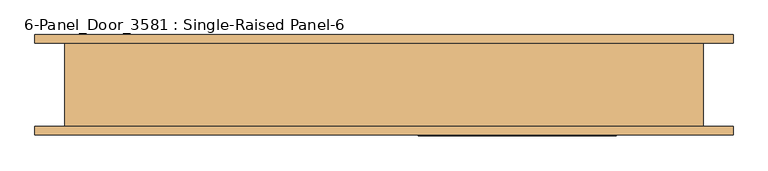
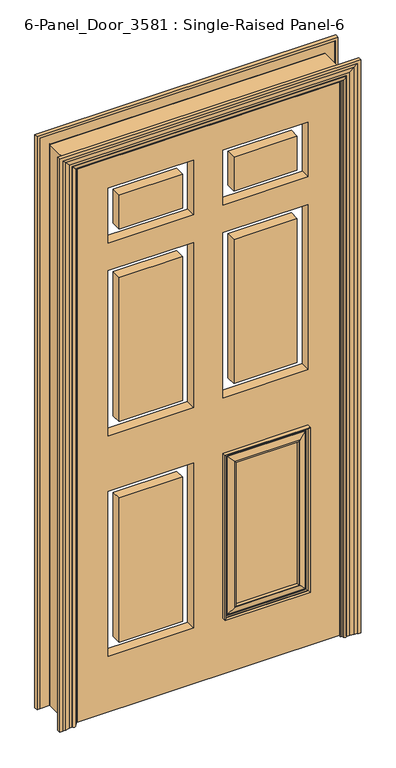
"""IFC4 building model written with IfcOpenShell, lengths in millimetres: door geometry, 6-Panel_Door_3581 : Single-Raised Panel-6."""

import ifcopenshell
import ifcopenshell.guid

model = None  # the IFC model being written
_history = None  # IfcOwnerHistory: only IFC2X3 demands one
_inside = {}  # id of a spatial element -> (the spatial element, [elements in it])
_under = {}  # id of a project, library or spatial element -> (it, [spatial elements below it])
_declared = {}  # id of a project -> (the project, [libraries it declares])
_typed = {}  # id of a type object -> (the type object, [elements of that type])
_made_of = {}  # id of a material, layer set ... -> (it, [elements and type objects made of it])


def new_model(schema):
    """Start an empty IFC model of exactly this schema.

    Asked for "IFC4X3", IfcOpenShell would pick the latest addendum, in which some entities
    have other attributes; the version numbers below select the first issue.
    IFC2X3 requires an IfcOwnerHistory on every rooted entity: one is made here for all.
    """
    global model, _history
    if schema == "IFC4X3":
        model = ifcopenshell.file(schema_version=(4, 3, 0, 0))
    else:
        model = ifcopenshell.file(schema=schema)
    _inside.clear()
    _under.clear()
    _declared.clear()
    _typed.clear()
    _made_of.clear()
    _history = None
    if model.schema == "IFC2X3":
        org = make("IfcOrganization", Name="unknown")
        user = make(
            "IfcPersonAndOrganization",
            ThePerson=make("IfcPerson", FamilyName="unknown"),
            TheOrganization=org,
        )
        app = make(
            "IfcApplication",
            ApplicationDeveloper=org,
            Version="unknown",
            ApplicationFullName="unknown",
            ApplicationIdentifier="unknown",
        )
        _history = make(
            "IfcOwnerHistory",
            OwningUser=user,
            OwningApplication=app,
            ChangeAction="ADDED",
            CreationDate=0,
        )
    return model


def make(cls, **values):
    """One entity of the class cls with the attributes given. An attribute that is None is left unset."""
    return model.create_entity(
        cls, **{name: value for name, value in values.items() if value is not None}
    )


def rooted(cls, **values):
    """An entity with a GlobalId (a new one), such as an element, a storey or a relation."""
    return make(cls, GlobalId=ifcopenshell.guid.new(), OwnerHistory=_history, **values)


def si_unit(unit_type, name, prefix=None):
    """IfcSIUnit, for example si_unit("LENGTHUNIT", "METRE", prefix="MILLI")."""
    return make("IfcSIUnit", UnitType=unit_type, Prefix=prefix, Name=name)


def assignment(units):
    """IfcUnitAssignment: the units of a project."""
    return None if units is None else make("IfcUnitAssignment", Units=units)


def point(xyz):
    """IfcCartesianPoint."""
    return None if xyz is None else make("IfcCartesianPoint", Coordinates=xyz)


def direction(xyz):
    """IfcDirection."""
    return None if xyz is None else make("IfcDirection", DirectionRatios=xyz)


def frame(location, z_axis=None, x_axis=None):
    """IfcAxis2Placement3D, a coordinate frame: its origin and axes. An axis left out is left unset."""
    return make(
        "IfcAxis2Placement3D",
        Location=point(location),
        Axis=direction(z_axis),
        RefDirection=direction(x_axis),
    )


def origin():
    """The frame at (0, 0, 0) with its axes left unset."""
    return frame((0.0, 0.0, 0.0))


def place(relative_to, where):
    """IfcLocalPlacement: puts the frame where relative to a parent placement (None: the world)."""
    return make(
        "IfcLocalPlacement", PlacementRelTo=relative_to, RelativePlacement=where
    )


def context(
    kind, dimensions, precision=None, world=None, true_north=None, identifier=None
):
    """IfcGeometricRepresentationContext, for example the 3D "Model" context."""
    return make(
        "IfcGeometricRepresentationContext",
        ContextIdentifier=identifier,
        ContextType=kind,
        CoordinateSpaceDimension=dimensions,
        Precision=precision,
        WorldCoordinateSystem=world,
        TrueNorth=true_north,
    )


def project(units=None, contexts=None):
    """IfcProject with its units and contexts."""
    return rooted(
        "IfcProject",
        Name="project",
        RepresentationContexts=contexts,
        UnitsInContext=assignment(units),
    )


def spatial(cls, under=None, at=None, **own):
    """A site, building, storey or space (cls), placed at a placement, below another one or the project."""
    s = rooted(cls, ObjectPlacement=at, **own)
    if under is not None:
        _under.setdefault(under.id(), (under, []))[1].append(s)
    return s


def polyline(points):
    """IfcPolyline through the points."""
    return make("IfcPolyline", Points=[point(p) for p in points])


def circle_curve(where, radius):
    """IfcCircle in the frame where."""
    return make("IfcCircle", Position=where, Radius=radius)


def ellipse_curve(where, semi_axis1, semi_axis2):
    """IfcEllipse in the frame where."""
    return make(
        "IfcEllipse", Position=where, SemiAxis1=semi_axis1, SemiAxis2=semi_axis2
    )


def outline(outer, holes=None, kind="AREA"):
    """IfcArbitraryClosedProfileDef: a profile drawn as a closed curve; with holes, ...WithVoids."""
    if holes is None:
        return make("IfcArbitraryClosedProfileDef", ProfileType=kind, OuterCurve=outer)
    return make(
        "IfcArbitraryProfileDefWithVoids",
        ProfileType=kind,
        OuterCurve=outer,
        InnerCurves=holes,
    )


def extrude(swept, where, along, depth):
    """IfcExtrudedAreaSolid: the profile swept, set in the frame where, extruded along a direction by depth."""
    return make(
        "IfcExtrudedAreaSolid",
        SweptArea=swept,
        Position=where,
        ExtrudedDirection=direction(along),
        Depth=depth,
    )


def faces_of(points, faces, orient=None, outer=None):
    """IfcFace entities. A face is a list of loops; a loop is a list of indices into points, from 0.

    orient and outer hold one flag for each loop. By default every Orientation is true, the
    first loop of a face is its IfcFaceOuterBound and the others are IfcFaceBound.
    """
    made = []
    for i, loops in enumerate(faces):
        bounds = []
        for j, loop in enumerate(loops):
            is_outer = j == 0 if outer is None else outer[i][j]
            bounds.append(
                make(
                    "IfcFaceOuterBound" if is_outer else "IfcFaceBound",
                    Bound=make("IfcPolyLoop", Polygon=[points[k] for k in loop]),
                    Orientation=True if orient is None else orient[i][j],
                )
            )
        made.append(make("IfcFace", Bounds=bounds))
    return made


def faceted_brep(points, faces, orient=None, outer=None, voids=None):
    """IfcFacetedBrep: a solid bounded by flat faces; with voids (closed shells), ...WithVoids."""
    shared = [point(p) for p in points]
    hull = make("IfcClosedShell", CfsFaces=faces_of(shared, faces, orient, outer))
    if voids is None:
        return make("IfcFacetedBrep", Outer=hull)
    return make(
        "IfcFacetedBrepWithVoids",
        Outer=hull,
        Voids=[
            make(cls, CfsFaces=faces_of(shared, fs, o, b)) for cls, fs, o, b in voids
        ],
    )


def shape(context_of_items, identifier, shape_type, items):
    """IfcShapeRepresentation: the items that make up one representation, for example the "Body"."""
    return make(
        "IfcShapeRepresentation",
        ContextOfItems=context_of_items,
        RepresentationIdentifier=identifier,
        RepresentationType=shape_type,
        Items=items,
    )


def source(mapping_origin, context_of_items, identifier, shape_type, items):
    """IfcRepresentationMap: a shape defined once, which mapped items show again and again."""
    return make(
        "IfcRepresentationMap",
        MappingOrigin=mapping_origin,
        MappedRepresentation=shape(context_of_items, identifier, shape_type, items),
    )


def transform(
    local_origin,
    x_axis=None,
    y_axis=None,
    z_axis=None,
    scale=None,
    scale2=None,
    scale3=None,
    uniform=True,
):
    """IfcCartesianTransformationOperator3D, or its non-uniform kind. x_axis, y_axis, z_axis: its Axis1, 2, 3."""
    if uniform:
        return make(
            "IfcCartesianTransformationOperator3D",
            Axis1=direction(x_axis),
            Axis2=direction(y_axis),
            LocalOrigin=point(local_origin),
            Scale=scale,
            Axis3=direction(z_axis),
        )
    return make(
        "IfcCartesianTransformationOperator3DnonUniform",
        Axis1=direction(x_axis),
        Axis2=direction(y_axis),
        LocalOrigin=point(local_origin),
        Scale=scale,
        Axis3=direction(z_axis),
        Scale2=scale2,
        Scale3=scale3,
    )


def mapped(mapping_source, mapping_target):
    """IfcMappedItem: shows the shape of a source again, moved by a transform."""
    return make(
        "IfcMappedItem", MappingSource=mapping_source, MappingTarget=mapping_target
    )


def made_of(thing, what):
    """Note that an element or type object is made of a material, layer set ...; save() writes the relation."""
    if what is not None:
        _made_of.setdefault(what.id(), (what, []))[1].append(thing)
    return thing


def element(
    cls,
    number,
    at=None,
    inside=None,
    cuts=None,
    type_object=None,
    material=None,
    context=None,
    identifier="Body",
    shape_type=None,
    held_by="IfcProductDefinitionShape",
    body=None,
    shapes=None,
    **own,
):
    """One element of the class cls, such as IfcWall. Its Tag is "e" and its number.

    at: its placement. inside: the storey or other place that contains it. cuts: it is an
    opening in that element (IfcRelVoidsElement). A single representation is given by context,
    identifier, shape_type and body (its items); several are given by shapes. held_by: the class
    of the entity that holds the representations. save() writes the other relations.
    """
    e = rooted(cls, Tag="e%d" % number, ObjectPlacement=at, **own)
    if body is not None:
        shapes = [shape(context, identifier, shape_type, body)]
    if shapes is not None:
        e.Representation = make(held_by, Representations=shapes)
    if inside is not None:
        _inside.setdefault(inside.id(), (inside, []))[1].append(e)
    if cuts is not None:
        rooted(
            "IfcRelVoidsElement", RelatingBuildingElement=cuts, RelatedOpeningElement=e
        )
    if type_object is not None:
        _typed.setdefault(type_object.id(), (type_object, []))[1].append(e)
    return made_of(e, material)


def aggregate(whole, parts):
    """IfcRelAggregates: a whole, such as a stair, and the parts it consists of."""
    return rooted("IfcRelAggregates", RelatingObject=whole, RelatedObjects=parts)


def save(model, path):
    """Write the relations noted so far, then the file.

    IfcRelAggregates (storeys below a building ...), IfcRelContainedInSpatialStructure (elements
    in a storey), IfcRelDefinesByType, IfcRelAssociatesMaterial and IfcRelDeclares: one each for
    every whole, place, type object, material and project.
    """
    for whole, parts in _under.values():
        aggregate(whole, parts)
    for where, things in _inside.values():
        rooted(
            "IfcRelContainedInSpatialStructure",
            RelatedElements=things,
            RelatingStructure=where,
        )
    for kind, things in _typed.values():
        rooted("IfcRelDefinesByType", RelatedObjects=things, RelatingType=kind)
    for what, things in _made_of.values():
        rooted("IfcRelAssociatesMaterial", RelatedObjects=things, RelatingMaterial=what)
    for by, libraries in _declared.values():
        rooted("IfcRelDeclares", RelatingContext=by, RelatedDefinitions=libraries)
    model.write(path)


def plane_surface(at):
    """IfcPlane: the flat surface through the origin of the frame at, square to its z axis."""
    return make("IfcPlane", Position=at)


def cylinder_surface(at, radius):
    """IfcCylindricalSurface: all points at the distance radius from the z axis of the frame at."""
    return make("IfcCylindricalSurface", Position=at, Radius=radius)


def revolved_surface(curve, axis_point, axis_direction):
    """IfcSurfaceOfRevolution: the curve turned about the line through axis_point along axis_direction."""
    return make(
        "IfcSurfaceOfRevolution",
        SweptCurve=make("IfcArbitraryOpenProfileDef", ProfileType="CURVE", Curve=curve),
        AxisPosition=make("IfcAxis1Placement", Location=point(axis_point), Axis=direction(axis_direction)),
    )


def advanced_brep(points, edges, surfaces, faces):
    """IfcAdvancedBrep: a solid bounded by faces that lie on surfaces and meet in shared edges.

    An edge is (start, end): straight between two places in points (the first is 0);
    or (start, end, curve); or (start, end, curve, False) where it runs against its curve.
    A face is (place in surfaces, loops), or (place, loops, False) where it looks against
    its surface's normal. A loop lists edges by number (the first is 1), with a minus sign
    where the edge is run from its end to its start. The first loop is the outer one.
    """
    corners = [point(p) for p in points]
    vertices = [make("IfcVertexPoint", VertexGeometry=c) for c in corners]
    made = []
    for start, end, *more in edges:
        made.append(
            make(
                "IfcEdgeCurve",
                EdgeStart=vertices[start],
                EdgeEnd=vertices[end],
                EdgeGeometry=more[0] if more else make("IfcPolyline", Points=[corners[start], corners[end]]),
                SameSense=more[1] if len(more) > 1 else True,
            )
        )
    hull = []
    for where, loops, *sense in faces:
        bounds = []
        for j, loop in enumerate(loops):
            ring = [make("IfcOrientedEdge", EdgeElement=made[abs(k) - 1], Orientation=k > 0) for k in loop]
            bounds.append(
                make(
                    "IfcFaceOuterBound" if j == 0 else "IfcFaceBound",
                    Bound=make("IfcEdgeLoop", EdgeList=ring),
                    Orientation=True,
                )
            )
        hull.append(make("IfcAdvancedFace", Bounds=bounds, FaceSurface=surfaces[where], SameSense=sense[0] if sense else True))
    return make("IfcAdvancedBrep", Outer=make("IfcClosedShell", CfsFaces=hull))


def door_6_panel_door_3581_single_raised_panel_6_c59ca692(model_context):
    return source(origin(), model_context, "Body", "SolidModel", [
        advanced_brep(
        [(520.7, 62.0, 0.0), (511.175, 62.0, 0.0), (511.175, 63.5875, 0.0), (476.25, 63.5875, 0.0), (476.25, 62.0, 0.0), (463.55, 62.0, 0.0), (463.55, 68.35, 0.0), (473.075, 68.35, 0.0), (476.25, 68.35, 0.0), (476.25, 69.9375, 0.0), (485.775, 69.9375, 0.0), (485.775, 71.5001953, 0.0), (499.8318516, 72.4773106, 0.0), (511.175, 73.1125, 0.0), (511.175, 74.7, 0.0), (520.7, 74.7, 0.0), (520.7, 62.0, 2095.5), (-520.7, 62.0, 2095.5), (-520.7, 62.0, 0.0), (-511.175, 62.0, 0.0), (-511.175, 62.0, 2085.975), (511.175, 62.0, 2085.975), (511.175, 63.5875, 2085.975), (-511.175, 63.5875, 2085.975), (-511.175, 63.5875, 0.0), (-476.25, 63.5875, 0.0), (-476.25, 63.5875, 2051.05), (476.25, 63.5875, 2051.05), (476.25, 62.0, 2051.05), (-476.25, 62.0, 2051.05), (-476.25, 62.0, 0.0), (-463.55, 62.0, 0.0), (-463.55, 62.0, 2038.35), (463.55, 62.0, 2038.35), (463.55, 68.35, 2038.35), (473.075, 68.35, 2047.875), (-473.075, 68.35, 2047.875), (-473.075, 68.35, 0.0), (-476.25, 68.35, 0.0), (-476.25, 68.35, 2051.05), (476.25, 68.35, 2051.05), (476.25, 69.9375, 2051.05), (-476.25, 69.9375, 2051.05), (-476.25, 69.9375, 0.0), (-485.775, 69.9375, 0.0), (-485.775, 69.9375, 2060.575), (485.775, 69.9375, 2060.575), (485.775, 71.5001953, 2060.575), (499.8318516, 72.4773106, 2074.6318516), (511.175, 73.1125, 2085.975), (511.175, 74.7, 2085.975), (-511.175, 74.7, 2085.975), (-511.175, 74.7, 0.0), (-520.7, 74.7, 0.0), (-520.7, 74.7, 2095.5), (520.7, 74.7, 2095.5), (-511.175, 73.1125, 0.0), (-499.8318516, 72.4773106, 0.0), (-485.775, 71.5001953, 0.0), (-463.55, 68.35, 0.0), (-463.55, 68.35, 2038.35), (-485.775, 71.5001953, 2060.575), (-511.175, 73.1125, 2085.975), (-499.8318516, 72.4773106, 2074.6318516)],
        [
            (0, 1),
            (1, 2),
            (2, 3),
            (3, 4),
            (4, 5),
            (5, 6),
            (6, 7, circle_curve(frame((468.3125, 68.35, 0.0), z_axis=(0.0, 0.0, -1.0), x_axis=(-1.0, 0.0, 0.0)), 4.7625)),
            (7, 8),
            (8, 9),
            (9, 10),
            (10, 11),
            (11, 12, circle_curve(frame((485.775, 173.1001953, 0.0), z_axis=(0.0, 0.0, 1.0), x_axis=(-1.0, 0.0, 0.0)), 101.6)),
            (12, 13, circle_curve(frame((511.175, -28.4875, 0.0), z_axis=(0.0, 0.0, -1.0), x_axis=(-1.0, 0.0, 0.0)), 101.6)),
            (13, 14),
            (14, 15),
            (15, 0),
            (0, 16),
            (16, 17),
            (17, 18),
            (18, 19),
            (19, 20),
            (20, 21),
            (21, 1),
            (21, 22),
            (22, 2),
            (22, 23),
            (23, 24),
            (24, 25),
            (25, 26),
            (26, 27),
            (27, 3),
            (27, 28),
            (28, 4),
            (28, 29),
            (29, 30),
            (30, 31),
            (31, 32),
            (32, 33),
            (33, 5),
            (33, 34),
            (34, 6),
            (34, 35, ellipse_curve(frame((468.3125, 68.35, 2043.1125), z_axis=(0.7071067811865475, 0.0, -0.7071067811865475), x_axis=(-0.7071067811865474, 0.0, -0.7071067811865476)), 6.7351921, 4.7625)),
            (35, 7),
            (35, 36),
            (36, 37),
            (37, 38),
            (38, 39),
            (39, 40),
            (40, 8),
            (40, 41),
            (41, 9),
            (41, 42),
            (42, 43),
            (43, 44),
            (44, 45),
            (45, 46),
            (46, 10),
            (46, 47),
            (47, 11),
            (47, 48, ellipse_curve(frame((485.775, 173.1001953, 2060.575), z_axis=(-0.7071067811865475, 0.0, 0.7071067811865475), x_axis=(0.7071067811865474, 0.0, 0.7071067811865476)), 143.6840979, 101.6)),
            (48, 12),
            (48, 49, ellipse_curve(frame((511.175, -28.4875, 2085.975), z_axis=(0.7071067811865475, 0.0, -0.7071067811865475), x_axis=(-0.7071067811865474, 0.0, -0.7071067811865476)), 143.6840979, 101.6)),
            (49, 13),
            (49, 50),
            (50, 14),
            (50, 51),
            (51, 52),
            (52, 53),
            (53, 54),
            (54, 55),
            (55, 15),
            (55, 16),
            (17, 54),
            (53, 18),
            (52, 56),
            (56, 57, circle_curve(frame((-511.175, -28.4875, 0.0), z_axis=(0.0, 0.0, -1.0), x_axis=(1.0, 0.0, 0.0)), 101.6)),
            (57, 58, circle_curve(frame((-485.775, 173.1001953, 0.0), z_axis=(0.0, 0.0, 1.0), x_axis=(1.0, 0.0, 0.0)), 101.6)),
            (58, 44),
            (43, 38),
            (37, 59, circle_curve(frame((-468.3125, 68.35, 0.0), z_axis=(0.0, 0.0, -1.0), x_axis=(1.0, 0.0, 0.0)), 4.7625)),
            (59, 31),
            (30, 25),
            (24, 19),
            (23, 20),
            (29, 26),
            (60, 32),
            (59, 60),
            (36, 60, ellipse_curve(frame((-468.3125, 68.35, 2043.1125), z_axis=(-0.7071067811865475, 0.0, -0.7071067811865475), x_axis=(-0.7071067811865474, 0.0, 0.7071067811865476)), 6.7351921, 4.7625)),
            (42, 39),
            (61, 45),
            (58, 61),
            (51, 62),
            (62, 56),
            (62, 63, ellipse_curve(frame((-511.175, -28.4875, 2085.975), z_axis=(-0.7071067811865475, 0.0, -0.7071067811865475), x_axis=(-0.7071067811865474, 0.0, 0.7071067811865476)), 143.6840979, 101.6)),
            (63, 57),
            (63, 61, ellipse_curve(frame((-485.775, 173.1001953, 2060.575), z_axis=(0.7071067811865475, 0.0, 0.7071067811865475), x_axis=(0.7071067811865474, 0.0, -0.7071067811865476)), 143.6840979, 101.6)),
            (60, 34),
            (61, 47),
            (63, 48),
            (62, 49),
        ],
        [
            plane_surface(frame((520.7, 0.0, 0.0), z_axis=(0.0, 0.0, -1.0), x_axis=(0.0, -1.0, 0.0))),
            plane_surface(frame((520.7, 62.0, 0.0), z_axis=(0.0, -1.0, 0.0), x_axis=(0.0, 0.0, 1.0))),
            plane_surface(frame((511.175, 62.0, 0.0), z_axis=(-1.0, 0.0, 0.0), x_axis=(0.0, 0.0, 1.0))),
            plane_surface(frame((511.175, 63.5875, 0.0), z_axis=(0.0, -1.0, 0.0), x_axis=(0.0, 0.0, 1.0))),
            plane_surface(frame((476.25, 63.5875, 0.0), z_axis=(1.0, 0.0, 0.0), x_axis=(0.0, 0.0, 1.0))),
            plane_surface(frame((476.25, 62.0, 0.0), z_axis=(0.0, -1.0, 0.0), x_axis=(0.0, 0.0, 1.0))),
            plane_surface(frame((463.55, 62.0, 0.0), z_axis=(-1.0, 0.0, 0.0), x_axis=(0.0, 0.0, 1.0))),
            cylinder_surface(frame((468.3125, 68.35, 0.0), z_axis=(0.0, 0.0, -1.0), x_axis=(-1.0, 0.0, 0.0)), 4.7625),
            plane_surface(frame((473.075, 68.35, 0.0), z_axis=(0.0, 1.0, 0.0), x_axis=(0.0, 0.0, 1.0))),
            plane_surface(frame((476.25, 68.35, 0.0), z_axis=(-1.0, 0.0, 0.0), x_axis=(0.0, 0.0, 1.0))),
            plane_surface(frame((476.25, 69.9375, 0.0), z_axis=(0.0, 1.0, 0.0), x_axis=(0.0, 0.0, 1.0))),
            plane_surface(frame((485.775, 69.9375, 0.0), z_axis=(-1.0, 0.0, 0.0), x_axis=(0.0, 0.0, 1.0))),
            revolved_surface(polyline([(384.17499999999995, 173.1001953, 2162.1749999737617), (384.17499999999995, 173.1001953, 0.0)]), (485.775, 173.1001953, 0.0), (0.0, 0.0, 1.0)),
            cylinder_surface(frame((511.175, -28.4875, 0.0), z_axis=(0.0, 0.0, -1.0), x_axis=(-1.0, 0.0, 0.0)), 101.6),
            plane_surface(frame((511.175, 73.1125, 0.0), z_axis=(-1.0, 0.0, 0.0), x_axis=(0.0, 0.0, 1.0))),
            plane_surface(frame((511.175, 74.7, 0.0), z_axis=(0.0, 1.0, 0.0), x_axis=(0.0, 0.0, 1.0))),
            plane_surface(frame((520.7, 74.7, 0.0), z_axis=(1.0, 0.0, 0.0), x_axis=(0.0, 0.0, 1.0))),
            plane_surface(frame((-520.7, 74.7, 2095.5), z_axis=(-1.0, 0.0, 0.0), x_axis=(0.0, 0.0, -1.0))),
            plane_surface(frame((-520.7, 0.0, 0.0), z_axis=(0.0, 0.0, -1.0), x_axis=(0.0, -1.0, 0.0))),
            plane_surface(frame((-511.175, 62.0, 2085.975), z_axis=(1.0, 0.0, 0.0), x_axis=(0.0, 0.0, -1.0))),
            plane_surface(frame((-476.25, 63.5875, 2051.05), z_axis=(-1.0, 0.0, 0.0), x_axis=(0.0, 0.0, -1.0))),
            plane_surface(frame((-463.55, 62.0, 2038.35), z_axis=(1.0, 0.0, 0.0), x_axis=(0.0, 0.0, -1.0))),
            cylinder_surface(frame((-468.3125, 68.35, 2095.5), z_axis=(0.0, 0.0, 1.0), x_axis=(1.0, 0.0, 0.0)), 4.7625),
            plane_surface(frame((-476.25, 68.35, 2051.05), z_axis=(1.0, 0.0, 0.0), x_axis=(0.0, 0.0, -1.0))),
            plane_surface(frame((-485.775, 69.9375, 2060.575), z_axis=(1.0, 0.0, 0.0), x_axis=(0.0, 0.0, -1.0))),
            plane_surface(frame((-511.175, 73.1125, 2085.975), z_axis=(1.0, 0.0, 0.0), x_axis=(0.0, 0.0, -1.0))),
            cylinder_surface(frame((-511.175, -28.4875, 2095.5), z_axis=(0.0, 0.0, 1.0), x_axis=(1.0, 0.0, 0.0)), 101.6),
            revolved_surface(polyline([(-384.17499999999995, 173.1001953, 0.0), (-384.17499999999995, 173.1001953, 2162.1749999737617)]), (-485.775, 173.1001953, 2095.5), (0.0, 0.0, -1.0)),
            plane_surface(frame((511.175, 62.0, 2085.975), z_axis=(0.0, 0.0, -1.0), x_axis=(-1.0, 0.0, 0.0))),
            plane_surface(frame((476.25, 63.5875, 2051.05), z_axis=(0.0, 0.0, 1.0), x_axis=(-1.0, 0.0, 0.0))),
            plane_surface(frame((463.55, 62.0, 2038.35), z_axis=(0.0, 0.0, -1.0), x_axis=(-1.0, 0.0, 0.0))),
            cylinder_surface(frame((520.7, 68.35, 2043.1125), z_axis=(1.0, 0.0, 0.0), x_axis=(0.0, 0.0, -1.0)), 4.7625),
            plane_surface(frame((476.25, 68.35, 2051.05), z_axis=(0.0, 0.0, -1.0), x_axis=(-1.0, 0.0, 0.0))),
            plane_surface(frame((485.775, 69.9375, 2060.575), z_axis=(0.0, 0.0, -1.0), x_axis=(-1.0, 0.0, 0.0))),
            revolved_surface(polyline([(-587.3749999737618, 173.1001953, 1958.975), (587.3749999737618, 173.1001953, 1958.975)]), (520.7, 173.1001953, 2060.575), (-1.0, 0.0, 0.0)),
            cylinder_surface(frame((520.7, -28.4875, 2085.975), z_axis=(1.0, 0.0, 0.0), x_axis=(0.0, 0.0, -1.0)), 101.6),
            plane_surface(frame((511.175, 73.1125, 2085.975), z_axis=(0.0, 0.0, -1.0), x_axis=(-1.0, 0.0, 0.0))),
            plane_surface(frame((520.7, 74.7, 2095.5), z_axis=(0.0, 0.0, 1.0), x_axis=(-1.0, 0.0, 0.0))),
        ],
        [
            (0, [[1, 2, 3, 4, 5, 6, 7, 8, 9, 10, 11, 12, 13, 14, 15, 16]]),
            (1, [[-1, 17, 18, 19, 20, 21, 22, 23]]),
            (2, [[-2, -23, 24, 25]]),
            (3, [[-3, -25, 26, 27, 28, 29, 30, 31]]),
            (4, [[-4, -31, 32, 33]]),
            (5, [[-5, -33, 34, 35, 36, 37, 38, 39]]),
            (6, [[-6, -39, 40, 41]]),
            (7, [[-7, -41, 42, 43]]),
            (8, [[-8, -43, 44, 45, 46, 47, 48, 49]]),
            (9, [[-9, -49, 50, 51]]),
            (10, [[-10, -51, 52, 53, 54, 55, 56, 57]]),
            (11, [[-11, -57, 58, 59]]),
            (12, [[-12, -59, 60, 61]]),
            (13, [[-13, -61, 62, 63]]),
            (14, [[-14, -63, 64, 65]]),
            (15, [[-15, -65, 66, 67, 68, 69, 70, 71]]),
            (16, [[-16, -71, 72, -17]]),
            (17, [[73, -69, 74, -19]]),
            (18, [[-74, -68, 75, 76, 77, 78, -54, 79, -46, 80, 81, -36, 82, -28, 83, -20]]),
            (19, [[84, -21, -83, -27]]),
            (20, [[85, -29, -82, -35]]),
            (21, [[86, -37, -81, 87]]),
            (22, [[88, -87, -80, -45]]),
            (23, [[89, -47, -79, -53]]),
            (24, [[90, -55, -78, 91]]),
            (25, [[92, 93, -75, -67]]),
            (26, [[94, 95, -76, -93]]),
            (27, [[96, -91, -77, -95]]),
            (28, [[-24, -22, -84, -26]]),
            (29, [[-32, -30, -85, -34]]),
            (30, [[-40, -38, -86, 97]]),
            (31, [[-42, -97, -88, -44]]),
            (32, [[-50, -48, -89, -52]]),
            (33, [[-58, -56, -90, 98]]),
            (34, [[-60, -98, -96, 99]]),
            (35, [[-62, -99, -94, 100]]),
            (36, [[-64, -100, -92, -66]]),
            (37, [[-72, -70, -73, -18]]),
        ],
    ),
        advanced_brep(
        [(-520.7, -62.0, 0.0), (-511.175, -62.0, 0.0), (-511.175, -63.5875, 0.0), (-476.25, -63.5875, 0.0), (-476.25, -62.0, 0.0), (-463.55, -62.0, 0.0), (-463.55, -68.35, 0.0), (-473.075, -68.35, 0.0), (-476.25, -68.35, 0.0), (-476.25, -69.9375, 0.0), (-485.775, -69.9375, 0.0), (-485.775, -71.5001953, 0.0), (-499.8318516, -72.4773106, 0.0), (-511.175, -73.2156392, 0.0), (-511.175, -74.8031392, 0.0), (-520.7, -74.8031392, 0.0), (-520.7, -62.0, 2095.5), (520.7, -62.0, 2095.5), (520.7, -62.0, 0.0), (511.175, -62.0, 0.0), (511.175, -62.0, 2085.975), (-511.175, -62.0, 2085.975), (-511.175, -63.5875, 2085.975), (511.175, -63.5875, 2085.975), (511.175, -63.5875, 0.0), (476.25, -63.5875, 0.0), (476.25, -63.5875, 2051.05), (-476.25, -63.5875, 2051.05), (-476.25, -62.0, 2051.05), (476.25, -62.0, 2051.05), (476.25, -62.0, 0.0), (463.55, -62.0, 0.0), (463.55, -62.0, 2038.35), (-463.55, -62.0, 2038.35), (-463.55, -68.35, 2038.35), (-473.075, -68.35, 2047.875), (473.075, -68.35, 2047.875), (473.075, -68.35, 0.0), (476.25, -68.35, 0.0), (476.25, -68.35, 2051.05), (-476.25, -68.35, 2051.05), (-476.25, -69.9375, 2051.05), (476.25, -69.9375, 2051.05), (476.25, -69.9375, 0.0), (485.775, -69.9375, 0.0), (485.775, -69.9375, 2060.575), (-485.775, -69.9375, 2060.575), (-485.775, -71.5001953, 2060.575), (-499.8318516, -72.4773106, 2074.6318516), (-511.175, -73.2156392, 2085.975), (-511.175, -74.8031392, 2085.975), (511.175, -74.8031392, 2085.975), (511.175, -74.8031392, 0.0), (520.7, -74.8031392, 0.0), (520.7, -74.8031392, 2095.5), (-520.7, -74.8031392, 2095.5), (511.175, -73.2156392, 0.0), (499.8318516, -72.4773106, 0.0), (485.775, -71.5001953, 0.0), (463.55, -68.35, 0.0), (463.55, -68.35, 2038.35), (485.775, -71.5001953, 2060.575), (511.175, -73.2156392, 2085.975), (499.8318516, -72.4773106, 2074.6318516)],
        [
            (0, 1),
            (1, 2),
            (2, 3),
            (3, 4),
            (4, 5),
            (5, 6),
            (6, 7, circle_curve(frame((-468.3125, -68.35, 0.0), z_axis=(0.0, 0.0, -1.0), x_axis=(-1.0, 0.0, 0.0)), 4.7625)),
            (7, 8),
            (8, 9),
            (9, 10),
            (10, 11),
            (11, 12, circle_curve(frame((-485.775, -173.1001953, 0.0), z_axis=(0.0, 0.0, 1.0), x_axis=(-1.0, 0.0, 0.0)), 101.6)),
            (12, 13, circle_curve(frame((-511.175, 14.2875, 0.0), z_axis=(0.0, 0.0, -1.0), x_axis=(-1.0, 0.0, 0.0)), 87.5031392)),
            (13, 14),
            (14, 15),
            (15, 0),
            (0, 16),
            (16, 17),
            (17, 18),
            (18, 19),
            (19, 20),
            (20, 21),
            (21, 1),
            (21, 22),
            (22, 2),
            (22, 23),
            (23, 24),
            (24, 25),
            (25, 26),
            (26, 27),
            (27, 3),
            (27, 28),
            (28, 4),
            (28, 29),
            (29, 30),
            (30, 31),
            (31, 32),
            (32, 33),
            (33, 5),
            (33, 34),
            (34, 6),
            (34, 35, ellipse_curve(frame((-468.3125, -68.35, 2043.1125), z_axis=(-0.7071067811865475, 0.0, -0.7071067811865475), x_axis=(0.7071067811865474, 0.0, -0.7071067811865476)), 6.7351921, 4.7625)),
            (35, 7),
            (35, 36),
            (36, 37),
            (37, 38),
            (38, 39),
            (39, 40),
            (40, 8),
            (40, 41),
            (41, 9),
            (41, 42),
            (42, 43),
            (43, 44),
            (44, 45),
            (45, 46),
            (46, 10),
            (46, 47),
            (47, 11),
            (47, 48, ellipse_curve(frame((-485.775, -173.1001953, 2060.575), z_axis=(0.7071067811865475, 0.0, 0.7071067811865475), x_axis=(-0.7071067811865474, 0.0, 0.7071067811865476)), 143.6840979, 101.6)),
            (48, 12),
            (48, 49, ellipse_curve(frame((-511.175, 14.2875, 2085.975), z_axis=(-0.7071067811865475, 0.0, -0.7071067811865475), x_axis=(0.7071067811865474, 0.0, -0.7071067811865476)), 123.7481263, 87.5031392)),
            (49, 13),
            (49, 50),
            (50, 14),
            (50, 51),
            (51, 52),
            (52, 53),
            (53, 54),
            (54, 55),
            (55, 15),
            (55, 16),
            (17, 54),
            (53, 18),
            (52, 56),
            (56, 57, circle_curve(frame((511.175, 14.2875, 0.0), z_axis=(0.0, 0.0, -1.0), x_axis=(1.0, 0.0, 0.0)), 87.5031392)),
            (57, 58, circle_curve(frame((485.775, -173.1001953, 0.0), z_axis=(0.0, 0.0, 1.0), x_axis=(1.0, 0.0, 0.0)), 101.6)),
            (58, 44),
            (43, 38),
            (37, 59, circle_curve(frame((468.3125, -68.35, 0.0), z_axis=(0.0, 0.0, -1.0), x_axis=(1.0, 0.0, 0.0)), 4.7625)),
            (59, 31),
            (30, 25),
            (24, 19),
            (23, 20),
            (29, 26),
            (60, 32),
            (59, 60),
            (36, 60, ellipse_curve(frame((468.3125, -68.35, 2043.1125), z_axis=(0.7071067811865475, 0.0, -0.7071067811865475), x_axis=(0.7071067811865474, 0.0, 0.7071067811865476)), 6.7351921, 4.7625)),
            (42, 39),
            (61, 45),
            (58, 61),
            (51, 62),
            (62, 56),
            (62, 63, ellipse_curve(frame((511.175, 14.2875, 2085.975), z_axis=(0.7071067811865475, 0.0, -0.7071067811865475), x_axis=(0.7071067811865474, 0.0, 0.7071067811865476)), 123.7481263, 87.5031392)),
            (63, 57),
            (63, 61, ellipse_curve(frame((485.775, -173.1001953, 2060.575), z_axis=(-0.7071067811865475, 0.0, 0.7071067811865475), x_axis=(-0.7071067811865474, 0.0, -0.7071067811865476)), 143.6840979, 101.6)),
            (60, 34),
            (61, 47),
            (63, 48),
            (62, 49),
        ],
        [
            plane_surface(frame((-520.7, 0.0, 0.0), z_axis=(0.0, 0.0, -1.0), x_axis=(0.0, -1.0, 0.0))),
            plane_surface(frame((-520.7, -62.0, 0.0), z_axis=(0.0, 1.0, 0.0), x_axis=(0.0, 0.0, 1.0))),
            plane_surface(frame((-511.175, -62.0, 0.0), z_axis=(1.0, 0.0, 0.0), x_axis=(0.0, 0.0, 1.0))),
            plane_surface(frame((-511.175, -63.5875, 0.0), z_axis=(0.0, 1.0, 0.0), x_axis=(0.0, 0.0, 1.0))),
            plane_surface(frame((-476.25, -63.5875, 0.0), z_axis=(-1.0, 0.0, 0.0), x_axis=(0.0, 0.0, 1.0))),
            plane_surface(frame((-476.25, -62.0, 0.0), z_axis=(0.0, 1.0, 0.0), x_axis=(0.0, 0.0, 1.0))),
            plane_surface(frame((-463.55, -62.0, 0.0), z_axis=(1.0, 0.0, 0.0), x_axis=(0.0, 0.0, 1.0))),
            cylinder_surface(frame((-468.3125, -68.35, 0.0), z_axis=(0.0, 0.0, -1.0), x_axis=(-1.0, 0.0, 0.0)), 4.7625),
            plane_surface(frame((-473.075, -68.35, 0.0), z_axis=(0.0, -1.0, 0.0), x_axis=(0.0, 0.0, 1.0))),
            plane_surface(frame((-476.25, -68.35, 0.0), z_axis=(1.0, 0.0, 0.0), x_axis=(0.0, 0.0, 1.0))),
            plane_surface(frame((-476.25, -69.9375, 0.0), z_axis=(0.0, -1.0, 0.0), x_axis=(0.0, 0.0, 1.0))),
            plane_surface(frame((-485.775, -69.9375, 0.0), z_axis=(1.0, 0.0, 0.0), x_axis=(0.0, 0.0, 1.0))),
            revolved_surface(polyline([(-587.375, -173.1001953, 2162.1749999737617), (-587.375, -173.1001953, 0.0)]), (-485.775, -173.1001953, 0.0), (0.0, 0.0, 1.0)),
            cylinder_surface(frame((-511.175, 14.2875, 0.0), z_axis=(0.0, 0.0, -1.0), x_axis=(-1.0, 0.0, 0.0)), 87.5031392),
            plane_surface(frame((-511.175, -73.2156392, 0.0), z_axis=(1.0, 0.0, 0.0), x_axis=(0.0, 0.0, 1.0))),
            plane_surface(frame((-511.175, -74.8031392, 0.0), z_axis=(0.0, -1.0, 0.0), x_axis=(0.0, 0.0, 1.0))),
            plane_surface(frame((-520.7, -74.8031392, 0.0), z_axis=(-1.0, 0.0, 0.0), x_axis=(0.0, 0.0, 1.0))),
            plane_surface(frame((520.7, -74.8031392, 2095.5), z_axis=(1.0, 0.0, 0.0), x_axis=(0.0, 0.0, -1.0))),
            plane_surface(frame((520.7, 0.0, 0.0), z_axis=(0.0, 0.0, -1.0), x_axis=(0.0, -1.0, 0.0))),
            plane_surface(frame((511.175, -62.0, 2085.975), z_axis=(-1.0, 0.0, 0.0), x_axis=(0.0, 0.0, -1.0))),
            plane_surface(frame((476.25, -63.5875, 2051.05), z_axis=(1.0, 0.0, 0.0), x_axis=(0.0, 0.0, -1.0))),
            plane_surface(frame((463.55, -62.0, 2038.35), z_axis=(-1.0, 0.0, 0.0), x_axis=(0.0, 0.0, -1.0))),
            cylinder_surface(frame((468.3125, -68.35, 2095.5), z_axis=(0.0, 0.0, 1.0), x_axis=(1.0, 0.0, 0.0)), 4.7625),
            plane_surface(frame((476.25, -68.35, 2051.05), z_axis=(-1.0, 0.0, 0.0), x_axis=(0.0, 0.0, -1.0))),
            plane_surface(frame((485.775, -69.9375, 2060.575), z_axis=(-1.0, 0.0, 0.0), x_axis=(0.0, 0.0, -1.0))),
            plane_surface(frame((511.175, -73.2156392, 2085.975), z_axis=(-1.0, 0.0, 0.0), x_axis=(0.0, 0.0, -1.0))),
            cylinder_surface(frame((511.175, 14.2875, 2095.5), z_axis=(0.0, 0.0, 1.0), x_axis=(1.0, 0.0, 0.0)), 87.5031392),
            revolved_surface(polyline([(587.375, -173.1001953, 0.0), (587.375, -173.1001953, 2162.1749999737617)]), (485.775, -173.1001953, 2095.5), (0.0, 0.0, -1.0)),
            plane_surface(frame((-511.175, -62.0, 2085.975), z_axis=(0.0, 0.0, -1.0), x_axis=(1.0, 0.0, 0.0))),
            plane_surface(frame((-476.25, -63.5875, 2051.05), z_axis=(0.0, 0.0, 1.0), x_axis=(1.0, 0.0, 0.0))),
            plane_surface(frame((-463.55, -62.0, 2038.35), z_axis=(0.0, 0.0, -1.0), x_axis=(1.0, 0.0, 0.0))),
            cylinder_surface(frame((-520.7, -68.35, 2043.1125), z_axis=(-1.0, 0.0, 0.0), x_axis=(0.0, 0.0, 1.0)), 4.7625),
            plane_surface(frame((-476.25, -68.35, 2051.05), z_axis=(0.0, 0.0, -1.0), x_axis=(1.0, 0.0, 0.0))),
            plane_surface(frame((-485.775, -69.9375, 2060.575), z_axis=(0.0, 0.0, -1.0), x_axis=(1.0, 0.0, 0.0))),
            revolved_surface(polyline([(587.3749999737618, -173.1001953, 2162.1749999999997), (-587.3749999737618, -173.1001953, 2162.1749999999997)]), (-520.7, -173.1001953, 2060.575), (1.0, 0.0, 0.0)),
            cylinder_surface(frame((-520.7, 14.2875, 2085.975), z_axis=(-1.0, 0.0, 0.0), x_axis=(0.0, 0.0, 1.0)), 87.5031392),
            plane_surface(frame((-511.175, -73.2156392, 2085.975), z_axis=(0.0, 0.0, -1.0), x_axis=(1.0, 0.0, 0.0))),
            plane_surface(frame((-520.7, -74.8031392, 2095.5), z_axis=(0.0, 0.0, 1.0), x_axis=(1.0, 0.0, 0.0))),
        ],
        [
            (0, [[1, 2, 3, 4, 5, 6, 7, 8, 9, 10, 11, 12, 13, 14, 15, 16]]),
            (1, [[-1, 17, 18, 19, 20, 21, 22, 23]]),
            (2, [[-2, -23, 24, 25]]),
            (3, [[-3, -25, 26, 27, 28, 29, 30, 31]]),
            (4, [[-4, -31, 32, 33]]),
            (5, [[-5, -33, 34, 35, 36, 37, 38, 39]]),
            (6, [[-6, -39, 40, 41]]),
            (7, [[-7, -41, 42, 43]]),
            (8, [[-8, -43, 44, 45, 46, 47, 48, 49]]),
            (9, [[-9, -49, 50, 51]]),
            (10, [[-10, -51, 52, 53, 54, 55, 56, 57]]),
            (11, [[-11, -57, 58, 59]]),
            (12, [[-12, -59, 60, 61]]),
            (13, [[-13, -61, 62, 63]]),
            (14, [[-14, -63, 64, 65]]),
            (15, [[-15, -65, 66, 67, 68, 69, 70, 71]]),
            (16, [[-16, -71, 72, -17]]),
            (17, [[73, -69, 74, -19]]),
            (18, [[-74, -68, 75, 76, 77, 78, -54, 79, -46, 80, 81, -36, 82, -28, 83, -20]]),
            (19, [[84, -21, -83, -27]]),
            (20, [[85, -29, -82, -35]]),
            (21, [[86, -37, -81, 87]]),
            (22, [[88, -87, -80, -45]]),
            (23, [[89, -47, -79, -53]]),
            (24, [[90, -55, -78, 91]]),
            (25, [[92, 93, -75, -67]]),
            (26, [[94, 95, -76, -93]]),
            (27, [[96, -91, -77, -95]]),
            (28, [[-24, -22, -84, -26]]),
            (29, [[-32, -30, -85, -34]]),
            (30, [[-40, -38, -86, 97]]),
            (31, [[-42, -97, -88, -44]]),
            (32, [[-50, -48, -89, -52]]),
            (33, [[-58, -56, -90, 98]]),
            (34, [[-60, -98, -96, 99]]),
            (35, [[-62, -99, -94, 100]]),
            (36, [[-64, -100, -92, -66]]),
            (37, [[-72, -70, -73, -18]]),
        ],
    ),
        faceted_brep([(-476.25, -62.0, 0.0), (-476.25, 62.0, 0.0), (-457.2, 62.0, 0.0), (-457.2, 4.675, 0.0), (-444.5, 4.675, 0.0), (-444.5, -27.075, 0.0), (-457.2, -27.075, 0.0), (-457.2, -62.0, 0.0), (-476.25, -62.0, 2051.05), (-476.25, 62.0, 2051.05), (476.25, 62.0, 2051.05), (476.25, 62.0, 0.0), (457.2, 62.0, 0.0), (457.2, 62.0, 2032.0), (-457.2, 62.0, 2032.0), (-457.2, 4.675, 2032.0), (457.2, 4.675, 2032.0), (457.2, 4.675, 0.0), (444.5, 4.675, 0.0), (444.5, 4.675, 2019.3), (-444.5, 4.675, 2019.3), (-444.5, -27.075, 2019.3), (444.5, -27.075, 2019.3), (444.5, -27.075, 0.0), (457.2, -27.075, 0.0), (457.2, -27.075, 2032.0), (-457.2, -27.075, 2032.0), (-457.2, -62.0, 2032.0), (457.2, -62.0, 2032.0), (457.2, -62.0, 0.0), (476.25, -62.0, 0.0), (476.25, -62.0, 2051.05)], [[[0, 1, 2, 3, 4, 5, 6, 7]], [[1, 0, 8, 9]], [[2, 1, 9, 10, 11, 12, 13, 14]], [[3, 2, 14, 15]], [[4, 3, 15, 16, 17, 18, 19, 20]], [[5, 4, 20, 21]], [[6, 5, 21, 22, 23, 24, 25, 26]], [[7, 6, 26, 27]], [[0, 7, 27, 28, 29, 30, 31, 8]], [[10, 31, 30, 11]], [[30, 29, 24, 23, 18, 17, 12, 11]], [[16, 13, 12, 17]], [[22, 19, 18, 23]], [[28, 25, 24, 29]], [[9, 8, 31, 10]], [[15, 14, 13, 16]], [[21, 20, 19, 22]], [[27, 26, 25, 28]]]),
        extrude(outline(polyline([(-88.9, -62.0), (-307.975, -62.0), (-307.975, -27.075), (-88.9, -27.075), (-88.9, -62.0)])), frame((0.0, 0.0, 1758.95), z_axis=(0.0, 0.0, 1.0), x_axis=(1.0, 0.0, 0.0)), (0.0, 0.0, 1.0), 123.825),
        extrude(outline(polyline([(307.975, -62.0), (88.9, -62.0), (88.9, -27.075), (307.975, -27.075), (307.975, -62.0)])), frame((0.0, 0.0, 1758.95), z_axis=(0.0, 0.0, 1.0), x_axis=(1.0, 0.0, 0.0)), (0.0, 0.0, 1.0), 123.825),
        extrude(outline(polyline([(-88.9, -62.0), (-307.975, -62.0), (-307.975, -27.075), (-88.9, -27.075), (-88.9, -62.0)])), frame((0.0, 0.0, 1054.1), z_axis=(0.0, 0.0, 1.0), x_axis=(1.0, 0.0, 0.0)), (0.0, 0.0, 1.0), 527.05),
        extrude(outline(polyline([(307.975, -62.0), (88.9, -62.0), (88.9, -27.075), (307.975, -27.075), (307.975, -62.0)])), frame((0.0, 0.0, 1054.1), z_axis=(0.0, 0.0, 1.0), x_axis=(1.0, 0.0, 0.0)), (0.0, 0.0, 1.0), 527.05),
        extrude(outline(polyline([(-88.9, -62.0), (-307.975, -62.0), (-307.975, -27.075), (-88.9, -27.075), (-88.9, -62.0)])), frame((0.0, 0.0, 247.65), z_axis=(0.0, 0.0, 1.0), x_axis=(1.0, 0.0, 0.0)), (0.0, 0.0, 1.0), 527.05),
        extrude(outline(polyline([(307.975, -62.0), (88.9, -62.0), (88.9, -27.075), (307.975, -27.075), (307.975, -62.0)])), frame((0.0, 0.0, 247.65), z_axis=(0.0, 0.0, 1.0), x_axis=(1.0, 0.0, 0.0)), (0.0, 0.0, 1.0), 527.05),
        extrude(outline(polyline([(2028.825, -454.025), (6.35, -454.025), (6.35, 454.025), (2028.825, 454.025), (2028.825, -454.025)]), holes=[polyline([(1920.875, -50.8), (1720.85, -50.8), (1720.85, -346.075), (1920.875, -346.075), (1920.875, -50.8)]), polyline([(1920.875, 346.075), (1720.85, 346.075), (1720.85, 50.8), (1920.875, 50.8), (1920.875, 346.075)]), polyline([(1619.25, -50.8), (1016.0, -50.8), (1016.0, -346.075), (1619.25, -346.075), (1619.25, -50.8)]), polyline([(1619.25, 346.075), (1016.0, 346.075), (1016.0, 50.8), (1619.25, 50.8), (1619.25, 346.075)]), polyline([(812.8, -50.8), (209.55, -50.8), (209.55, -346.075), (812.8, -346.075), (812.8, -50.8)]), polyline([(812.8, 346.075), (209.55, 346.075), (209.55, 50.8), (812.8, 50.8), (812.8, 346.075)])]), frame((0.0, -62.0, 0.0), z_axis=(0.0, 1.0, 0.0), x_axis=(0.0, 0.0, 1.0)), (0.0, 0.0, 1.0), 34.925),
        advanced_brep(
        [(50.8, -41.4748678, 812.8), (50.8, -76.0029928, 812.8), (346.075, -76.0029928, 812.8), (346.075, -41.4748678, 812.8), (55.5583641, -46.0389303, 808.0416359), (341.3166359, -46.0389303, 808.0416359), (60.325, -49.2139303, 803.275), (57.15, -46.0389303, 806.45), (339.725, -46.0389303, 806.45), (336.55, -49.2139303, 803.275), (63.5, -50.8165159, 800.1), (63.5, -49.2139303, 800.1), (333.375, -49.2139303, 800.1), (333.375, -50.8165159, 800.1), (86.2811535, -44.2921518, 777.3188465), (310.5938465, -44.2921518, 777.3188465), (88.9, -41.6733053, 774.7), (307.975, -41.6733053, 774.7), (88.9, -76.0029928, 774.7), (307.975, -76.0029928, 774.7), (86.0030767, -73.1060696, 777.5969233), (310.8719233, -73.1060696, 777.5969233), (63.5, -66.6613447, 800.1), (333.375, -66.6613447, 800.1), (63.5, -68.2639303, 800.1), (333.375, -68.2639303, 800.1), (57.15, -71.4389303, 806.45), (60.325, -68.2639303, 803.275), (336.55, -68.2639303, 803.275), (339.725, -71.4389303, 806.45), (55.5583641, -71.4389303, 808.0416359), (341.3166359, -71.4389303, 808.0416359), (346.075, -76.0029928, 209.55), (346.075, -41.4748678, 209.55), (341.3166359, -46.0389303, 214.3083641), (339.725, -46.0389303, 215.9), (336.55, -49.2139303, 219.075), (333.375, -49.2139303, 222.25), (333.375, -50.8165159, 222.25), (310.5938465, -44.2921518, 245.0311535), (307.975, -41.6733053, 247.65), (307.975, -76.0029928, 247.65), (310.8719233, -73.1060696, 244.7530767), (333.375, -66.6613447, 222.25), (333.375, -68.2639303, 222.25), (336.55, -68.2639303, 219.075), (339.725, -71.4389303, 215.9), (341.3166359, -71.4389303, 214.3083641), (50.8, -76.0029928, 209.55), (50.8, -41.4748678, 209.55), (55.5583641, -46.0389303, 214.3083641), (57.15, -46.0389303, 215.9), (60.325, -49.2139303, 219.075), (63.5, -49.2139303, 222.25), (63.5, -50.8165159, 222.25), (86.2811535, -44.2921518, 245.0311535), (88.9, -41.6733053, 247.65), (88.9, -76.0029928, 247.65), (86.0030767, -73.1060696, 244.7530767), (63.5, -66.6613447, 222.25), (63.5, -68.2639303, 222.25), (60.325, -68.2639303, 219.075), (57.15, -71.4389303, 215.9), (55.5583641, -71.4389303, 214.3083641)],
        [
            (0, 1),
            (1, 2),
            (2, 3),
            (3, 0),
            (4, 0, ellipse_curve(frame((50.8, -46.2373678, 812.8), z_axis=(0.7071067811865481, 0.0, 0.7071067811865469), x_axis=(-0.7071067811865469, 0.0, 0.7071067811865481)), 6.7351921, 4.7625)),
            (3, 5, ellipse_curve(frame((346.075, -46.2373678, 812.8), z_axis=(-0.7071067811865475, 0.0, 0.7071067811865475), x_axis=(-0.7071067811865477, 0.0, -0.7071067811865474)), 6.7351921, 4.7625)),
            (5, 4),
            (6, 7, ellipse_curve(frame((60.325, -46.0389303, 803.275), z_axis=(-0.7071067811865481, 0.0, -0.7071067811865469), x_axis=(0.7071067811865469, 0.0, -0.7071067811865481)), 4.4901281, 3.175)),
            (7, 8),
            (8, 9, ellipse_curve(frame((336.55, -46.0389303, 803.275), z_axis=(0.7071067811865475, 0.0, -0.7071067811865475), x_axis=(0.7071067811865477, 0.0, 0.7071067811865474)), 4.4901281, 3.175)),
            (9, 6),
            (10, 11),
            (11, 12),
            (12, 13),
            (13, 10),
            (14, 10),
            (13, 15),
            (15, 14),
            (16, 14),
            (15, 17),
            (17, 16),
            (18, 16),
            (17, 19),
            (19, 18),
            (20, 18),
            (19, 21),
            (21, 20),
            (22, 20),
            (21, 23),
            (23, 22),
            (24, 22),
            (23, 25),
            (25, 24),
            (26, 27, ellipse_curve(frame((60.325, -71.4389303, 803.275), z_axis=(-0.7071067811865481, 0.0, -0.7071067811865469), x_axis=(0.7071067811865469, 0.0, -0.7071067811865481)), 4.4901281, 3.175)),
            (27, 28),
            (28, 29, ellipse_curve(frame((336.55, -71.4389303, 803.275), z_axis=(0.7071067811865475, 0.0, -0.7071067811865475), x_axis=(0.7071067811865477, 0.0, 0.7071067811865474)), 4.4901281, 3.175)),
            (29, 26),
            (1, 30, ellipse_curve(frame((50.8, -71.2404928, 812.8), z_axis=(0.7071067811865481, 0.0, 0.7071067811865469), x_axis=(-0.7071067811865469, 0.0, 0.7071067811865481)), 6.7351921, 4.7625)),
            (30, 31),
            (31, 2, ellipse_curve(frame((346.075, -71.2404928, 812.8), z_axis=(-0.7071067811865475, 0.0, 0.7071067811865475), x_axis=(-0.7071067811865477, 0.0, -0.7071067811865474)), 6.7351921, 4.7625)),
            (2, 32),
            (32, 33),
            (33, 3),
            (33, 34, ellipse_curve(frame((346.075, -46.2373678, 209.55), z_axis=(0.7071067811865475, 0.0, 0.7071067811865475), x_axis=(-0.7071067811865474, 0.0, 0.7071067811865477)), 6.7351921, 4.7625)),
            (34, 5),
            (8, 35),
            (35, 36, ellipse_curve(frame((336.55, -46.0389303, 219.075), z_axis=(-0.7071067811865475, 0.0, -0.7071067811865475), x_axis=(0.7071067811865474, 0.0, -0.7071067811865477)), 4.4901281, 3.175)),
            (36, 9),
            (12, 37),
            (37, 38),
            (38, 13),
            (38, 39),
            (39, 15),
            (39, 40),
            (40, 17),
            (40, 41),
            (41, 19),
            (41, 42),
            (42, 21),
            (42, 43),
            (43, 23),
            (43, 44),
            (44, 25),
            (28, 45),
            (45, 46, ellipse_curve(frame((336.55, -71.4389303, 219.075), z_axis=(-0.7071067811865475, 0.0, -0.7071067811865475), x_axis=(0.7071067811865474, 0.0, -0.7071067811865477)), 4.4901281, 3.175)),
            (46, 29),
            (31, 47),
            (47, 32, ellipse_curve(frame((346.075, -71.2404928, 209.55), z_axis=(0.7071067811865475, 0.0, 0.7071067811865475), x_axis=(-0.7071067811865474, 0.0, 0.7071067811865477)), 6.7351921, 4.7625)),
            (32, 48),
            (48, 49),
            (49, 33),
            (49, 50, ellipse_curve(frame((50.8, -46.2373678, 209.55), z_axis=(0.7071067811865469, 0.0, -0.7071067811865481), x_axis=(0.7071067811865481, 0.0, 0.7071067811865468)), 6.7351921, 4.7625)),
            (50, 34),
            (35, 51),
            (51, 52, ellipse_curve(frame((60.325, -46.0389303, 219.075), z_axis=(-0.7071067811865469, 0.0, 0.7071067811865481), x_axis=(-0.7071067811865481, 0.0, -0.7071067811865468)), 4.4901281, 3.175)),
            (52, 36),
            (37, 53),
            (53, 54),
            (54, 38),
            (54, 55),
            (55, 39),
            (55, 56),
            (56, 40),
            (56, 57),
            (57, 41),
            (57, 58),
            (58, 42),
            (58, 59),
            (59, 43),
            (59, 60),
            (60, 44),
            (45, 61),
            (61, 62, ellipse_curve(frame((60.325, -71.4389303, 219.075), z_axis=(-0.7071067811865469, 0.0, 0.7071067811865481), x_axis=(-0.7071067811865481, 0.0, -0.7071067811865468)), 4.4901281, 3.175)),
            (62, 46),
            (47, 63),
            (63, 48, ellipse_curve(frame((50.8, -71.2404928, 209.55), z_axis=(0.7071067811865469, 0.0, -0.7071067811865481), x_axis=(0.7071067811865481, 0.0, 0.7071067811865468)), 6.7351921, 4.7625)),
            (48, 1),
            (0, 49),
            (4, 50),
            (7, 51),
            (6, 52),
            (11, 53),
            (10, 54),
            (14, 55),
            (16, 56),
            (18, 57),
            (20, 58),
            (22, 59),
            (24, 60),
            (27, 61),
            (26, 62),
            (30, 63),
        ],
        [
            plane_surface(frame((50.8, -76.0029928, 812.8), z_axis=(0.0, 0.0, 1.0), x_axis=(1.0, 0.0, 0.0))),
            cylinder_surface(frame((50.8, -46.2373678, 812.8), z_axis=(-1.0, 0.0, 0.0), x_axis=(0.0, 0.0, 1.0)), 4.7625),
            revolved_surface(polyline([(339.7250000279063, -46.0389303, 806.4499999999999), (57.14999997209374, -46.0389303, 806.4499999999999)]), (50.8, -46.0389303, 803.275), (1.0, 0.0, 0.0)),
            plane_surface(frame((63.5, -49.2139303, 800.1), z_axis=(0.0, 0.0, -1.0), x_axis=(1.0, 0.0, 0.0))),
            plane_surface(frame((63.5, -50.8165159, 800.1), z_axis=(0.0, 0.9613513906239456, 0.2753243609733911), x_axis=(1.0, 0.0, 0.0))),
            plane_surface(frame((86.2811535, -44.2921518, 777.3188465), z_axis=(0.0, 0.7071067811865464, 0.7071067811865487), x_axis=(1.0, 0.0, 0.0))),
            plane_surface(frame((88.9, -41.6733053, 774.7), z_axis=(0.0, 0.0, -1.0), x_axis=(1.0, 0.0, 0.0))),
            plane_surface(frame((88.9, -76.0029928, 774.7), z_axis=(0.0, -0.7071067811865382, 0.7071067811865569), x_axis=(1.0, 0.0, 0.0))),
            plane_surface(frame((86.0030767, -73.1060696, 777.5969233), z_axis=(0.0, -0.961351390623944, 0.2753243609733962), x_axis=(1.0, 0.0, 0.0))),
            plane_surface(frame((63.5, -66.6613447, 800.1), z_axis=(0.0, 0.0, -1.0), x_axis=(1.0, 0.0, 0.0))),
            revolved_surface(polyline([(339.7250000279063, -71.4389303, 806.4499999999999), (57.14999997209374, -71.4389303, 806.4499999999999)]), (50.8, -71.4389303, 803.275), (1.0, 0.0, 0.0)),
            cylinder_surface(frame((50.8, -71.2404928, 812.8), z_axis=(-1.0, 0.0, 0.0), x_axis=(0.0, 0.0, 1.0)), 4.7625),
            plane_surface(frame((346.075, -76.0029928, 812.8), z_axis=(1.0, 0.0, 0.0), x_axis=(0.0, 0.0, -1.0))),
            cylinder_surface(frame((346.075, -46.2373678, 812.8), z_axis=(0.0, 0.0, 1.0), x_axis=(1.0, 0.0, 0.0)), 4.7625),
            revolved_surface(polyline([(339.725, -46.0389303, 215.89999997209372), (339.725, -46.0389303, 806.4500000279063)]), (336.55, -46.0389303, 812.8), (0.0, 0.0, -1.0)),
            plane_surface(frame((333.375, -49.2139303, 800.1), z_axis=(-1.0, 0.0, 0.0), x_axis=(0.0, 0.0, -1.0))),
            plane_surface(frame((333.375, -50.8165159, 800.1), z_axis=(0.2753243609733911, 0.9613513906239456, 0.0), x_axis=(0.0, 0.0, -1.0))),
            plane_surface(frame((310.5938465, -44.2921518, 777.3188465), z_axis=(0.7071067811865487, 0.7071067811865464, 0.0), x_axis=(0.0, 0.0, -1.0))),
            plane_surface(frame((307.975, -41.6733053, 774.7), z_axis=(-1.0, 0.0, 0.0), x_axis=(0.0, 0.0, -1.0))),
            plane_surface(frame((307.975, -76.0029928, 774.7), z_axis=(0.7071067811865569, -0.7071067811865382, 0.0), x_axis=(0.0, 0.0, -1.0))),
            plane_surface(frame((310.8719233, -73.1060696, 777.5969233), z_axis=(0.2753243609733962, -0.961351390623944, 0.0), x_axis=(0.0, 0.0, -1.0))),
            plane_surface(frame((333.375, -66.6613447, 800.1), z_axis=(-1.0, 0.0, 0.0), x_axis=(0.0, 0.0, -1.0))),
            revolved_surface(polyline([(339.725, -71.4389303, 215.89999997209372), (339.725, -71.4389303, 806.4500000279063)]), (336.55, -71.4389303, 812.8), (0.0, 0.0, -1.0)),
            cylinder_surface(frame((346.075, -71.2404928, 812.8), z_axis=(0.0, 0.0, 1.0), x_axis=(1.0, 0.0, 0.0)), 4.7625),
            plane_surface(frame((346.075, -76.0029928, 209.55), z_axis=(0.0, 0.0, -1.0), x_axis=(-1.0, 0.0, 0.0))),
            cylinder_surface(frame((346.075, -46.2373678, 209.55), z_axis=(1.0, 0.0, 0.0), x_axis=(0.0, 0.0, -1.0)), 4.7625),
            revolved_surface(polyline([(57.149999972093724, -46.0389303, 215.89999999999998), (339.7250000279063, -46.0389303, 215.89999999999998)]), (346.075, -46.0389303, 219.075), (-1.0, 0.0, 0.0)),
            plane_surface(frame((333.375, -49.2139303, 222.25), z_axis=(0.0, 0.0, 1.0), x_axis=(-1.0, 0.0, 0.0))),
            plane_surface(frame((333.375, -50.8165159, 222.25), z_axis=(0.0, 0.9613513906239456, -0.2753243609733911), x_axis=(-1.0, 0.0, 0.0))),
            plane_surface(frame((310.5938465, -44.2921518, 245.0311535), z_axis=(0.0, 0.7071067811865464, -0.7071067811865487), x_axis=(-1.0, 0.0, 0.0))),
            plane_surface(frame((307.975, -41.6733053, 247.65), z_axis=(0.0, 0.0, 1.0), x_axis=(-1.0, 0.0, 0.0))),
            plane_surface(frame((307.975, -76.0029928, 247.65), z_axis=(0.0, -0.7071067811865382, -0.7071067811865569), x_axis=(-1.0, 0.0, 0.0))),
            plane_surface(frame((310.8719233, -73.1060696, 244.7530767), z_axis=(0.0, -0.961351390623944, -0.2753243609733962), x_axis=(-1.0, 0.0, 0.0))),
            plane_surface(frame((333.375, -66.6613447, 222.25), z_axis=(0.0, 0.0, 1.0), x_axis=(-1.0, 0.0, 0.0))),
            revolved_surface(polyline([(57.149999972093724, -71.4389303, 215.89999999999998), (339.7250000279063, -71.4389303, 215.89999999999998)]), (346.075, -71.4389303, 219.075), (-1.0, 0.0, 0.0)),
            cylinder_surface(frame((346.075, -71.2404928, 209.55), z_axis=(1.0, 0.0, 0.0), x_axis=(0.0, 0.0, -1.0)), 4.7625),
            plane_surface(frame((50.8, -76.0029928, 209.55), z_axis=(-1.0, 0.0, 0.0), x_axis=(0.0, 0.0, 1.0))),
            cylinder_surface(frame((50.8, -46.2373678, 209.55), z_axis=(0.0, 0.0, -1.0), x_axis=(-1.0, 0.0, 0.0)), 4.7625),
            plane_surface(frame((55.5583641, -46.0389303, 214.3083641), z_axis=(0.0, 1.0, 0.0), x_axis=(0.0, 0.0, 1.0))),
            revolved_surface(polyline([(57.150000000000006, -46.0389303, 806.4500000279063), (57.150000000000006, -46.0389303, 215.89999997209372)]), (60.325, -46.0389303, 209.55), (0.0, 0.0, 1.0)),
            plane_surface(frame((60.325, -49.2139303, 219.075), z_axis=(0.0, 1.0, 0.0), x_axis=(0.0, 0.0, 1.0))),
            plane_surface(frame((63.5, -49.2139303, 222.25), z_axis=(1.0, 0.0, 0.0), x_axis=(0.0, 0.0, 1.0))),
            plane_surface(frame((63.5, -50.8165159, 222.25), z_axis=(-0.2753243609733911, 0.9613513906239456, 0.0), x_axis=(0.0, 0.0, 1.0))),
            plane_surface(frame((86.2811535, -44.2921518, 245.0311535), z_axis=(-0.7071067811865487, 0.7071067811865464, 0.0), x_axis=(0.0, 0.0, 1.0))),
            plane_surface(frame((88.9, -41.6733053, 247.65), z_axis=(1.0, 0.0, 0.0), x_axis=(0.0, 0.0, 1.0))),
            plane_surface(frame((88.9, -76.0029928, 247.65), z_axis=(-0.7071067811865569, -0.7071067811865382, 0.0), x_axis=(0.0, 0.0, 1.0))),
            plane_surface(frame((86.0030767, -73.1060696, 244.7530767), z_axis=(-0.2753243609733962, -0.961351390623944, 0.0), x_axis=(0.0, 0.0, 1.0))),
            plane_surface(frame((63.5, -66.6613447, 222.25), z_axis=(1.0, 0.0, 0.0), x_axis=(0.0, 0.0, 1.0))),
            plane_surface(frame((63.5, -68.2639303, 222.25), z_axis=(0.0, -1.0, 0.0), x_axis=(0.0, 0.0, 1.0))),
            revolved_surface(polyline([(57.150000000000006, -71.4389303, 806.4500000279063), (57.150000000000006, -71.4389303, 215.89999997209372)]), (60.325, -71.4389303, 209.55), (0.0, 0.0, 1.0)),
            plane_surface(frame((57.15, -71.4389303, 215.9), z_axis=(0.0, -1.0, 0.0), x_axis=(0.0, 0.0, 1.0))),
            cylinder_surface(frame((50.8, -71.2404928, 209.55), z_axis=(0.0, 0.0, -1.0), x_axis=(-1.0, 0.0, 0.0)), 4.7625),
        ],
        [
            (0, [[1, 2, 3, 4]]),
            (1, [[5, -4, 6, 7]]),
            (2, [[8, 9, 10, 11]]),
            (3, [[12, 13, 14, 15]]),
            (4, [[16, -15, 17, 18]]),
            (5, [[19, -18, 20, 21]]),
            (6, [[22, -21, 23, 24]]),
            (7, [[25, -24, 26, 27]]),
            (8, [[28, -27, 29, 30]]),
            (9, [[31, -30, 32, 33]]),
            (10, [[34, 35, 36, 37]]),
            (11, [[38, 39, 40, -2]]),
            (12, [[-3, 41, 42, 43]]),
            (13, [[-6, -43, 44, 45]]),
            (14, [[-10, 46, 47, 48]]),
            (15, [[-14, 49, 50, 51]]),
            (16, [[-17, -51, 52, 53]]),
            (17, [[-20, -53, 54, 55]]),
            (18, [[-23, -55, 56, 57]]),
            (19, [[-26, -57, 58, 59]]),
            (20, [[-29, -59, 60, 61]]),
            (21, [[-32, -61, 62, 63]]),
            (22, [[-36, 64, 65, 66]]),
            (23, [[-40, 67, 68, -41]]),
            (24, [[-42, 69, 70, 71]]),
            (25, [[-44, -71, 72, 73]]),
            (26, [[-47, 74, 75, 76]]),
            (27, [[-50, 77, 78, 79]]),
            (28, [[-52, -79, 80, 81]]),
            (29, [[-54, -81, 82, 83]]),
            (30, [[-56, -83, 84, 85]]),
            (31, [[-58, -85, 86, 87]]),
            (32, [[-60, -87, 88, 89]]),
            (33, [[-62, -89, 90, 91]]),
            (34, [[-65, 92, 93, 94]]),
            (35, [[-68, 95, 96, -69]]),
            (36, [[-70, 97, -1, 98]]),
            (37, [[-72, -98, -5, 99]]),
            (38, [[-45, -73, -99, -7], [100, -74, -46, -9]]),
            (39, [[-75, -100, -8, 101]]),
            (40, [[-48, -76, -101, -11], [102, -77, -49, -13]]),
            (41, [[-78, -102, -12, 103]]),
            (42, [[-80, -103, -16, 104]]),
            (43, [[-82, -104, -19, 105]]),
            (44, [[-84, -105, -22, 106]]),
            (45, [[-86, -106, -25, 107]]),
            (46, [[-88, -107, -28, 108]]),
            (47, [[-90, -108, -31, 109]]),
            (48, [[110, -92, -64, -35], [-63, -91, -109, -33]]),
            (49, [[-93, -110, -34, 111]]),
            (50, [[112, -95, -67, -39], [-66, -94, -111, -37]]),
            (51, [[-96, -112, -38, -97]]),
        ],
    ),
    ])


if __name__ == "__main__":
    model = new_model("IFC4")
    model_context = context("Model", 3, world=origin())
    ifc_project = project(units=[si_unit("LENGTHUNIT", "METRE", prefix="MILLI")], contexts=[model_context])
    site = spatial("IfcSite", under=ifc_project)
    building = spatial("IfcBuilding", under=site)
    placement = place(None, origin())
    door_6_panel_door_3581_single_raised_panel_6_shape = door_6_panel_door_3581_single_raised_panel_6_c59ca692(model_context)
    element("IfcDoor", 1, ObjectType="6-Panel_Door_3581 : Single-Raised Panel-6", at=placement, inside=building, context=model_context, shape_type="MappedRepresentation", body=[
        mapped(door_6_panel_door_3581_single_raised_panel_6_shape, transform((0.0, 0.0, 0.0), x_axis=(1.0, 0.0, 0.0), y_axis=(0.0, 1.0, 0.0), z_axis=(0.0, 0.0, 1.0))),
    ])
    save(model, "model.ifc")
